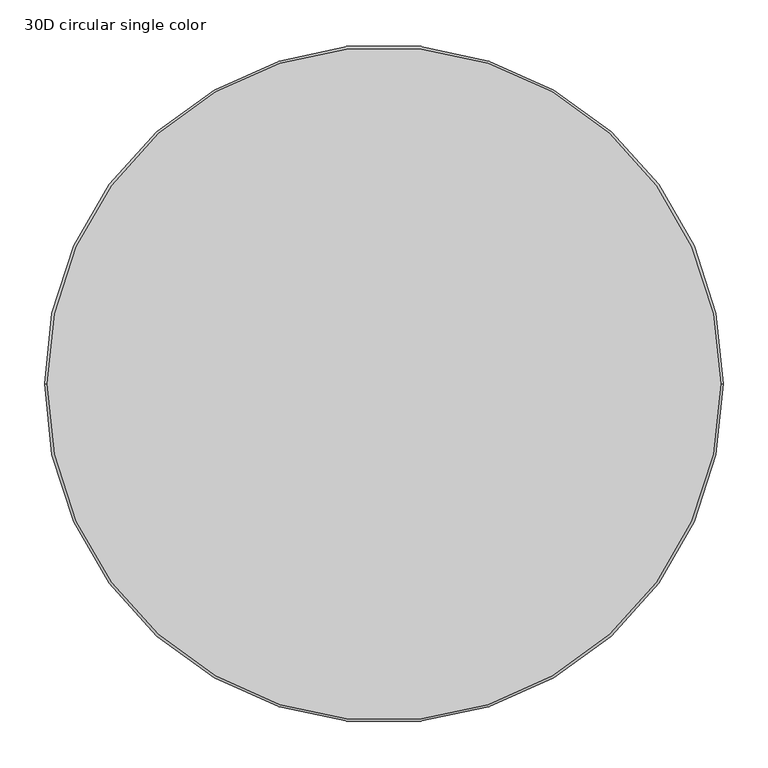
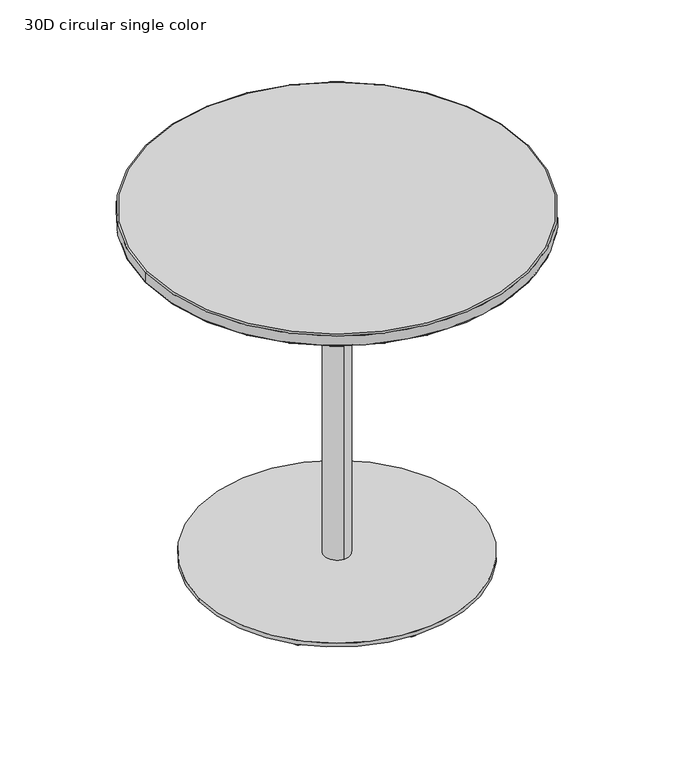
"""IFC4 building model written with IfcOpenShell, lengths in millimetres: furniture geometry, 30D circular single color."""

from ifc_helpers import new_model, si_unit, point, frame, origin, origin_2d, place, context, project, spatial, polyline, circle_curve, ellipse_curve, trimmed, segment, composite_curve, outline, extrude, source, transform, mapped, element, save
from ifc_brep_helpers import plane_surface, cylinder_surface, revolved_surface, advanced_brep


def furniture_30d_circular_single_color_6679ebdb(model_context):
    return source(origin(), model_context, "Body", "SolidModel", [
        advanced_brep(
        [(-367.6508148, 0.0, 715.0035998), (367.6508148, 0.0, 715.0035998), (367.6508148, 0.0, 715.1833853), (-367.6508148, 0.0, 715.1833853), (-381.0, 0.0, 717.5435998), (381.0, 0.0, 717.5435998), (378.46, 0.0, 715.0035998), (-378.46, 0.0, 715.0035998), (-381.0, 0.0, 737.4636), (381.0, 0.0, 737.4636), (-378.46, 0.0, 740.0036), (378.46, 0.0, 740.0036)],
        [
            (0, 1, circle_curve(frame((0.0, 0.0, 715.0035998), z_axis=(0.0, 0.0, -1.0), x_axis=(1.0, 0.0, 0.0)), 367.6508148)),
            (1, 2),
            (2, 3, circle_curve(frame((0.0, 0.0, 715.1833853), z_axis=(0.0, 0.0, 1.0), x_axis=(1.0, 0.0, 0.0)), 367.6508148)),
            (3, 0),
            (4, 5, circle_curve(frame((0.0, 0.0, 717.5435998), z_axis=(0.0, 0.0, -1.0), x_axis=(1.0, 0.0, 0.0)), 381.0)),
            (5, 6, circle_curve(frame((378.46, 0.0, 717.5435998), z_axis=(0.0, 1.0, 0.0), x_axis=(-1.0, 0.0, 0.0)), 2.54)),
            (6, 7, circle_curve(frame((0.0, 0.0, 715.0035998), z_axis=(0.0, 0.0, 1.0), x_axis=(1.0, 0.0, 0.0)), 378.46)),
            (7, 4, circle_curve(frame((-378.46, 0.0, 717.5435998), z_axis=(0.0, 1.0, 0.0), x_axis=(1.0, 0.0, 0.0)), 2.54)),
            (4, 8),
            (8, 9, circle_curve(frame((0.0, 0.0, 737.4636), z_axis=(0.0, 0.0, -1.0), x_axis=(1.0, 0.0, 0.0)), 381.0)),
            (9, 5),
            (8, 10, circle_curve(frame((-378.46, 0.0, 737.4636), z_axis=(0.0, 1.0, 0.0), x_axis=(1.0, 0.0, 0.0)), 2.54)),
            (10, 11, circle_curve(frame((0.0, 0.0, 740.0036), z_axis=(0.0, 0.0, -1.0), x_axis=(1.0, 0.0, 0.0)), 378.46)),
            (11, 9, circle_curve(frame((378.46, 0.0, 737.4636), z_axis=(0.0, 1.0, 0.0), x_axis=(-1.0, 0.0, 0.0)), 2.54)),
            (1, 0, circle_curve(frame((0.0, 0.0, 715.0035998), z_axis=(0.0, 0.0, -1.0), x_axis=(-1.0, 0.0, 0.0)), 367.6508148)),
            (3, 2, circle_curve(frame((0.0, 0.0, 715.1833853), z_axis=(0.0, 0.0, 1.0), x_axis=(-1.0, 0.0, 0.0)), 367.6508148)),
            (6, 7, circle_curve(frame((0.0, 0.0, 715.0035998), z_axis=(0.0, 0.0, -1.0), x_axis=(-1.0, 0.0, 0.0)), 378.46)),
            (5, 4, circle_curve(frame((0.0, 0.0, 717.5435998), z_axis=(0.0, 0.0, -1.0), x_axis=(-1.0, 0.0, 0.0)), 381.0)),
            (9, 8, circle_curve(frame((0.0, 0.0, 737.4636), z_axis=(0.0, 0.0, -1.0), x_axis=(-1.0, 0.0, 0.0)), 381.0)),
            (11, 10, circle_curve(frame((0.0, 0.0, 740.0036), z_axis=(0.0, 0.0, -1.0), x_axis=(-1.0, 0.0, 0.0)), 378.46)),
        ],
        [
            revolved_surface(polyline([(367.6508148, 0.0, 715.1833853), (367.6508148, 0.0, 715.0035998)]), (0.0, 0.0, 740.0036), (0.0, 0.0, 1.0)),
            revolved_surface(trimmed(ellipse_curve(frame((378.46, 0.0, 717.5435998), z_axis=(0.0, -1.0, 0.0), x_axis=(-1.0, 0.0, 0.0)), 2.54, 2.54), [point((378.46, 0.0, 715.0035998))], [point((381.0, 0.0, 717.5435998))], True, "CARTESIAN"), (0.0, 0.0, 740.0036), (0.0, 0.0, 1.0)),
            cylinder_surface(frame((0.0, 0.0, 740.0036), z_axis=(0.0, 0.0, 1.0), x_axis=(1.0, 0.0, 0.0)), 381.0),
            revolved_surface(trimmed(ellipse_curve(frame((378.46, 0.0, 737.4636), z_axis=(0.0, -1.0, 0.0), x_axis=(-1.0, 0.0, 0.0)), 2.54, 2.54), [point((381.0, 0.0, 737.4636))], [point((378.46, 0.0, 740.0036))], True, "CARTESIAN"), (0.0, 0.0, 740.0036), (0.0, 0.0, 1.0)),
            revolved_surface(polyline([(-367.6508148, 0.0, 715.1833853), (-367.6508148, 0.0, 715.0035998)]), (0.0, 0.0, 740.0036), (0.0, 0.0, 1.0)),
            plane_surface(frame((0.0, 0.0, 715.0035998), z_axis=(0.0, 0.0, -1.0), x_axis=(-1.0, 0.0, 0.0))),
            revolved_surface(trimmed(ellipse_curve(frame((-378.46, 0.0, 717.5435998), z_axis=(0.0, 1.0, 0.0), x_axis=(1.0, 0.0, 0.0)), 2.54, 2.54), [point((-378.46, 0.0, 715.0035998))], [point((-381.0, 0.0, 717.5435998))], True, "CARTESIAN"), (0.0, 0.0, 740.0036), (0.0, 0.0, 1.0)),
            cylinder_surface(frame((0.0, 0.0, 740.0036), z_axis=(0.0, 0.0, 1.0), x_axis=(-1.0, 0.0, 0.0)), 381.0),
            revolved_surface(trimmed(ellipse_curve(frame((-378.46, 0.0, 737.4636), z_axis=(0.0, 1.0, 0.0), x_axis=(1.0, 0.0, 0.0)), 2.54, 2.54), [point((-381.0, 0.0, 737.4636))], [point((-378.46, 0.0, 740.0036))], True, "CARTESIAN"), (0.0, 0.0, 740.0036), (0.0, 0.0, 1.0)),
            plane_surface(frame((0.0, 0.0, 740.0036), z_axis=(0.0, 0.0, 1.0), x_axis=(-1.0, 0.0, 0.0))),
            plane_surface(frame((-367.6508148, 0.0, 715.1833853), z_axis=(0.0, 0.0, -1.0), x_axis=(0.0, 1.0, 0.0))),
        ],
        [
            (0, [[1, 2, 3, 4]]),
            (1, [[5, 6, 7, 8]]),
            (2, [[-5, 9, 10, 11]]),
            (3, [[-10, 12, 13, 14]]),
            (4, [[15, -4, 16, -2]]),
            (5, [[-7, 17], [-1, -15]]),
            (6, [[-6, 18, -8, -17]]),
            (7, [[-11, 19, -9, -18]]),
            (8, [[-14, 20, -12, -19]]),
            (9, [[-13, -20]]),
            (10, [[-3, -16]]),
        ],
    ),
        advanced_brep(
        [(0.0, 25.3994968, 17.0000116), (0.0, -25.3994968, 17.0000116), (0.0, 25.3994968, 709.0036027), (0.0, -25.3994968, 709.0036027), (-124.9934, -116.6114, 715.0035998), (-116.6114, -124.9934, 715.0035998), (116.6114, -124.9934, 715.0035998), (124.9934, -116.6114, 715.0035998), (124.9934, 116.6114, 715.0035998), (116.6114, 124.9934, 715.0035998), (-116.6114, 124.9934, 715.0035998), (-124.9934, 116.6114, 715.0035998), (-124.9934, -116.6114, 709.0036027), (-124.9934, 116.6114, 709.0036027), (-116.6114, 124.9934, 709.0036027), (116.6114, 124.9934, 709.0036027), (124.9934, 116.6114, 709.0036027), (124.9934, -116.6114, 709.0036027), (116.6114, -124.9934, 709.0036027), (-116.6114, -124.9934, 709.0036027)],
        [
            (0, 1, circle_curve(frame((0.0, 0.0, 17.0000116), z_axis=(0.0, 0.0, -1.0), x_axis=(0.0, -1.0, 0.0)), 25.3994968)),
            (1, 0, circle_curve(frame((0.0, 0.0, 17.0000116), z_axis=(0.0, 0.0, -1.0), x_axis=(0.0, -1.0, 0.0)), 25.3994968)),
            (0, 2),
            (2, 3, circle_curve(frame((0.0, 0.0, 709.0036027), z_axis=(0.0, 0.0, -1.0), x_axis=(0.0, -1.0, 0.0)), 25.3994968)),
            (3, 1),
            (3, 2, circle_curve(frame((0.0, 0.0, 709.0036027), z_axis=(0.0, 0.0, -1.0), x_axis=(0.0, -1.0, 0.0)), 25.3994968)),
            (4, 5, circle_curve(frame((-116.6114, -116.6114, 715.0035998), z_axis=(0.0, 0.0, 1.0), x_axis=(0.0, -1.0, 0.0)), 8.382)),
            (5, 6),
            (6, 7, circle_curve(frame((116.6114, -116.6114, 715.0035998), z_axis=(0.0, 0.0, 1.0), x_axis=(0.0, -1.0, 0.0)), 8.382)),
            (7, 8),
            (8, 9, circle_curve(frame((116.6114, 116.6114, 715.0035998), z_axis=(0.0, 0.0, 1.0), x_axis=(0.0, -1.0, 0.0)), 8.382)),
            (9, 10),
            (10, 11, circle_curve(frame((-116.6114, 116.6114, 715.0035998), z_axis=(0.0, 0.0, 1.0), x_axis=(0.0, -1.0, 0.0)), 8.382)),
            (11, 4),
            (12, 13),
            (13, 14, circle_curve(frame((-116.6114, 116.6114, 709.0036027), z_axis=(0.0, 0.0, -1.0), x_axis=(0.0, -1.0, 0.0)), 8.382)),
            (14, 15),
            (15, 16, circle_curve(frame((116.6114, 116.6114, 709.0036027), z_axis=(0.0, 0.0, -1.0), x_axis=(0.0, -1.0, 0.0)), 8.382)),
            (16, 17),
            (17, 18, circle_curve(frame((116.6114, -116.6114, 709.0036027), z_axis=(0.0, 0.0, -1.0), x_axis=(0.0, -1.0, 0.0)), 8.382)),
            (18, 19),
            (19, 12, circle_curve(frame((-116.6114, -116.6114, 709.0036027), z_axis=(0.0, 0.0, -1.0), x_axis=(0.0, -1.0, 0.0)), 8.382)),
            (11, 13),
            (12, 4),
            (10, 14),
            (9, 15),
            (8, 16),
            (7, 17),
            (6, 18),
            (5, 19),
        ],
        [
            plane_surface(frame((0.0, -25.3994968, 17.0000116), z_axis=(0.0, 0.0, -1.0), x_axis=(-1.0, 0.0, 0.0))),
            cylinder_surface(frame((0.0, 0.0, 709.0036027), z_axis=(0.0, 0.0, -1.0), x_axis=(0.0, -1.0, 0.0)), 25.3994968),
            plane_surface(frame((-124.9934, 116.6114, 715.0035998), z_axis=(0.0, 0.0, 1.0), x_axis=(0.0, -1.0, 0.0))),
            plane_surface(frame((-124.9934, 116.6114, 709.0036027), z_axis=(0.0, 0.0, -1.0), x_axis=(0.0, 1.0, 0.0))),
            plane_surface(frame((-124.9934, -116.6114, 709.0036027), z_axis=(-1.0, 0.0, 0.0), x_axis=(0.0, 0.0, 1.0))),
            cylinder_surface(frame((-116.6114, 116.6114, 715.0035998), z_axis=(0.0, 0.0, -1.0), x_axis=(0.0, -1.0, 0.0)), 8.382),
            plane_surface(frame((-116.6114, 124.9934, 709.0036027), z_axis=(0.0, 1.0, 0.0), x_axis=(0.0, 0.0, 1.0))),
            cylinder_surface(frame((116.6114, 116.6114, 715.0035998), z_axis=(0.0, 0.0, -1.0), x_axis=(0.0, -1.0, 0.0)), 8.382),
            plane_surface(frame((124.9934, 116.6114, 709.0036027), z_axis=(1.0, 0.0, 0.0), x_axis=(0.0, 0.0, 1.0))),
            cylinder_surface(frame((116.6114, -116.6114, 715.0035998), z_axis=(0.0, 0.0, -1.0), x_axis=(0.0, -1.0, 0.0)), 8.382),
            plane_surface(frame((116.6114, -124.9934, 709.0036027), z_axis=(0.0, -1.0, 0.0), x_axis=(0.0, 0.0, 1.0))),
            cylinder_surface(frame((-116.6114, -116.6114, 715.0035998), z_axis=(0.0, 0.0, -1.0), x_axis=(0.0, -1.0, 0.0)), 8.382),
        ],
        [
            (0, [[1, 2]]),
            (1, [[-1, 3, 4, 5]]),
            (1, [[-2, -5, 6, -3]]),
            (2, [[7, 8, 9, 10, 11, 12, 13, 14]]),
            (3, [[15, 16, 17, 18, 19, 20, 21, 22], [-4, -6]]),
            (4, [[-14, 23, -15, 24]]),
            (5, [[-13, 25, -16, -23]]),
            (6, [[-12, 26, -17, -25]]),
            (7, [[-11, 27, -18, -26]]),
            (8, [[-10, 28, -19, -27]]),
            (9, [[-9, 29, -20, -28]]),
            (10, [[-8, 30, -21, -29]]),
            (11, [[-7, -24, -22, -30]]),
        ],
    ),
        advanced_brep(
        [(-190.5532387, 181.7263389, 9.0000059), (-172.8994391, 181.7263389, 9.0000059), (-189.5543959, 181.7263389, 0.0), (-173.8982819, 181.7263389, 0.0)],
        [
            (0, 1, circle_curve(frame((-181.7263389, 181.7263389, 9.0000059), z_axis=(0.0, 0.0, 1.0), x_axis=(-1.0, 0.0, 0.0)), 8.8268998)),
            (1, 0, circle_curve(frame((-181.7263389, 181.7263389, 9.0000059), z_axis=(0.0, 0.0, 1.0), x_axis=(1.0, 0.0, 0.0)), 8.8268998)),
            (2, 3, circle_curve(frame((-181.7263389, 181.7263389, 0.0), z_axis=(0.0, 0.0, -1.0), x_axis=(1.0, 0.0, 0.0)), 7.828057)),
            (3, 2, circle_curve(frame((-181.7263389, 181.7263389, 0.0), z_axis=(0.0, 0.0, -1.0), x_axis=(-1.0, 0.0, 0.0)), 7.828057)),
            (0, 2),
            (3, 1),
        ],
        [
            plane_surface(frame((-181.7263389, 181.7263389, 9.0000059), z_axis=(0.0, 0.0, 1.0), x_axis=(0.0, -1.0, 0.0))),
            plane_surface(frame((-181.7263389, 181.7263389, 0.0), z_axis=(0.0, 0.0, -1.0), x_axis=(0.0, -1.0, 0.0))),
            revolved_surface(polyline([(-173.8982819130633, 181.7263389, 0.0), (-172.8994391, 181.7263389, 9.000005900000005)]), (-181.7263389, 181.7263389, -70.5341803), (0.0, 0.0, 1.0)),
            revolved_surface(polyline([(-189.5543958869367, 181.7263389, 0.0), (-190.5532387, 181.7263389, 9.000005900000005)]), (-181.7263389, 181.7263389, -70.5341803), (0.0, 0.0, 1.0)),
        ],
        [
            (0, [[1, 2]]),
            (1, [[3, 4]]),
            (2, [[-1, 5, -4, 6]]),
            (3, [[-2, -6, -3, -5]]),
        ],
    ),
        advanced_brep(
        [(-265.0869868, 0.0, 0.0), (-249.3437617, 0.0, 0.0), (-266.3915758, 0.0, 9.0000082), (-248.0391728, 0.0, 9.0000082)],
        [
            (0, 1, circle_curve(frame((-257.2153743, 0.0, 0.0), z_axis=(0.0, 0.0, -1.0), x_axis=(-1.0, 0.0, 0.0)), 7.8716125)),
            (1, 0, circle_curve(frame((-257.2153743, 0.0, 0.0), z_axis=(0.0, 0.0, -1.0), x_axis=(1.0, 0.0, 0.0)), 7.8716125)),
            (2, 3, circle_curve(frame((-257.2153743, 0.0, 9.0000082), z_axis=(0.0, 0.0, 1.0), x_axis=(1.0, 0.0, 0.0)), 9.1762015)),
            (3, 2, circle_curve(frame((-257.2153743, 0.0, 9.0000082), z_axis=(0.0, 0.0, 1.0), x_axis=(-1.0, 0.0, 0.0)), 9.1762015)),
            (1, 3),
            (2, 0),
        ],
        [
            plane_surface(frame((-257.2153743, 0.0, 0.0), z_axis=(0.0, 0.0, -1.0), x_axis=(0.0, -1.0, 0.0))),
            plane_surface(frame((-257.2153743, 0.0, 9.0000082), z_axis=(0.0, 0.0, 1.0), x_axis=(0.0, -1.0, 0.0))),
            revolved_surface(polyline([(-249.34376177324347, 0.0, 0.0), (-248.0391728, 0.0, 9.000008199999996)]), (-257.2153743, 0.0, -54.3041362), (0.0, 0.0, 1.0)),
            revolved_surface(polyline([(-265.0869868267565, 0.0, 0.0), (-266.3915758, 0.0, 9.000008199999996)]), (-257.2153743, 0.0, -54.3041362), (0.0, 0.0, 1.0)),
        ],
        [
            (0, [[1, 2]]),
            (1, [[3, 4]]),
            (2, [[-2, 5, -3, 6]]),
            (3, [[-1, -6, -4, -5]]),
        ],
    ),
        advanced_brep(
        [(-190.5532387, -181.7263389, 9.0000059), (-172.8994391, -181.7263389, 9.0000059), (-189.5543959, -181.7263389, 0.0), (-173.8982819, -181.7263389, 0.0)],
        [
            (0, 1, circle_curve(frame((-181.7263389, -181.7263389, 9.0000059), z_axis=(0.0, 0.0, 1.0), x_axis=(-1.0, 0.0, 0.0)), 8.8268998)),
            (1, 0, circle_curve(frame((-181.7263389, -181.7263389, 9.0000059), z_axis=(0.0, 0.0, 1.0), x_axis=(1.0, 0.0, 0.0)), 8.8268998)),
            (2, 3, circle_curve(frame((-181.7263389, -181.7263389, 0.0), z_axis=(0.0, 0.0, -1.0), x_axis=(1.0, 0.0, 0.0)), 7.828057)),
            (3, 2, circle_curve(frame((-181.7263389, -181.7263389, 0.0), z_axis=(0.0, 0.0, -1.0), x_axis=(-1.0, 0.0, 0.0)), 7.828057)),
            (1, 3),
            (2, 0),
        ],
        [
            plane_surface(frame((-181.7263389, -181.7263389, 9.0000059), z_axis=(0.0, 0.0, 1.0), x_axis=(0.0, -1.0, 0.0))),
            plane_surface(frame((-181.7263389, -181.7263389, 0.0), z_axis=(0.0, 0.0, -1.0), x_axis=(0.0, -1.0, 0.0))),
            revolved_surface(polyline([(-189.5543958869367, -181.7263389, 0.0), (-190.5532387, -181.7263389, 9.000005900000005)]), (-181.7263389, -181.7263389, -70.5341803), (0.0, 0.0, 1.0)),
            revolved_surface(polyline([(-173.8982819130633, -181.7263389, 0.0), (-172.8994391, -181.7263389, 9.000005900000005)]), (-181.7263389, -181.7263389, -70.5341803), (0.0, 0.0, 1.0)),
        ],
        [
            (0, [[1, 2]]),
            (1, [[3, 4]]),
            (2, [[-2, 5, -3, 6]]),
            (3, [[-1, -6, -4, -5]]),
        ],
    ),
        advanced_brep(
        [(0.0, 265.0869868, 0.0), (0.0, 249.3437617, 0.0), (0.0, 266.3915758, 9.0000082), (0.0, 248.0391728, 9.0000082)],
        [
            (0, 1, circle_curve(frame((0.0, 257.2153743, 0.0), z_axis=(0.0, 0.0, -1.0), x_axis=(3.12138059135606e-12, 1.0, 0.0)), 7.8716125)),
            (1, 0, circle_curve(frame((0.0, 257.2153743, 0.0), z_axis=(0.0, 0.0, -1.0), x_axis=(-3.1246116805050733e-12, -1.0, 0.0)), 7.8716125)),
            (2, 3, circle_curve(frame((0.0, 257.2153743, 9.0000082), z_axis=(0.0, 0.0, 1.0), x_axis=(-3.1246116805050733e-12, -1.0, 0.0)), 9.1762015)),
            (3, 2, circle_curve(frame((0.0, 257.2153743, 9.0000082), z_axis=(0.0, 0.0, 1.0), x_axis=(3.12138059135606e-12, 1.0, 0.0)), 9.1762015)),
            (1, 3),
            (2, 0),
        ],
        [
            plane_surface(frame((0.0, 257.2153743, 0.0), z_axis=(0.0, 0.0, -1.0), x_axis=(-1.0, 3.1278427696539056e-12, 0.0))),
            plane_surface(frame((0.0, 257.2153743, 9.0000082), z_axis=(0.0, 0.0, 1.0), x_axis=(-1.0, 3.1278427696539056e-12, 0.0))),
            revolved_surface(polyline([(0.0, 249.34376177324347, 0.0), (0.0, 248.0391728, 9.000008199999996)]), (0.0, 257.2153743, -54.3041362), (0.0, 0.0, 1.0)),
            revolved_surface(polyline([(0.0, 265.0869868267565, 0.0), (0.0, 266.3915758, 9.000008199999996)]), (0.0, 257.2153743, -54.3041362), (0.0, 0.0, 1.0)),
        ],
        [
            (0, [[1, 2]]),
            (1, [[3, 4]]),
            (2, [[-2, 5, -3, 6]]),
            (3, [[-1, -6, -4, -5]]),
        ],
    ),
        advanced_brep(
        [(0.0, -265.0869868, 0.0), (0.0, -249.3437617, 0.0), (0.0, -266.3915758, 9.0000082), (0.0, -248.0391728, 9.0000082)],
        [
            (0, 1, circle_curve(frame((0.0, -257.2153743, 0.0), z_axis=(0.0, 0.0, -1.0), x_axis=(-3.1215030560360546e-12, -1.0, 0.0)), 7.8716125)),
            (1, 0, circle_curve(frame((0.0, -257.2153743, 0.0), z_axis=(0.0, 0.0, -1.0), x_axis=(3.1247341451849737e-12, 1.0, 0.0)), 7.8716125)),
            (2, 3, circle_curve(frame((0.0, -257.2153743, 9.0000082), z_axis=(0.0, 0.0, 1.0), x_axis=(3.1247341451849737e-12, 1.0, 0.0)), 9.1762015)),
            (3, 2, circle_curve(frame((0.0, -257.2153743, 9.0000082), z_axis=(0.0, 0.0, 1.0), x_axis=(-3.1215030560360546e-12, -1.0, 0.0)), 9.1762015)),
            (0, 2),
            (3, 1),
        ],
        [
            plane_surface(frame((0.0, -257.2153743, 0.0), z_axis=(0.0, 0.0, -1.0), x_axis=(1.0, -3.12796523433382e-12, 0.0))),
            plane_surface(frame((0.0, -257.2153743, 9.0000082), z_axis=(0.0, 0.0, 1.0), x_axis=(1.0, -3.12796523433382e-12, 0.0))),
            revolved_surface(polyline([(0.0, -265.0869868267565, 0.0), (0.0, -266.3915758, 9.000008199999996)]), (0.0, -257.2153743, -54.3041362), (0.0, 0.0, 1.0)),
            revolved_surface(polyline([(0.0, -249.34376177324347, 0.0), (0.0, -248.0391728, 9.000008199999996)]), (0.0, -257.2153743, -54.3041362), (0.0, 0.0, 1.0)),
        ],
        [
            (0, [[1, 2]]),
            (1, [[3, 4]]),
            (2, [[-1, 5, -4, 6]]),
            (3, [[-2, -6, -3, -5]]),
        ],
    ),
        advanced_brep(
        [(190.5532387, 181.7263389, 9.0000059), (172.8994391, 181.7263389, 9.0000059), (189.5543959, 181.7263389, 0.0), (173.8982819, 181.7263389, 0.0)],
        [
            (0, 1, circle_curve(frame((181.7263389, 181.7263389, 9.0000059), z_axis=(0.0, 0.0, 1.0), x_axis=(1.0, 0.0, 0.0)), 8.8268998)),
            (1, 0, circle_curve(frame((181.7263389, 181.7263389, 9.0000059), z_axis=(0.0, 0.0, 1.0), x_axis=(-1.0, 0.0, 0.0)), 8.8268998)),
            (2, 3, circle_curve(frame((181.7263389, 181.7263389, 0.0), z_axis=(0.0, 0.0, -1.0), x_axis=(-1.0, 0.0, 0.0)), 7.828057)),
            (3, 2, circle_curve(frame((181.7263389, 181.7263389, 0.0), z_axis=(0.0, 0.0, -1.0), x_axis=(1.0, 0.0, 0.0)), 7.828057)),
            (1, 3),
            (2, 0),
        ],
        [
            plane_surface(frame((181.7263389, 181.7263389, 9.0000059), z_axis=(0.0, 0.0, 1.0), x_axis=(0.0, 1.0, 0.0))),
            plane_surface(frame((181.7263389, 181.7263389, 0.0), z_axis=(0.0, 0.0, -1.0), x_axis=(0.0, 1.0, 0.0))),
            revolved_surface(polyline([(189.5543958869367, 181.7263389, 0.0), (190.5532387, 181.7263389, 9.000005900000005)]), (181.7263389, 181.7263389, -70.5341803), (0.0, 0.0, 1.0)),
            revolved_surface(polyline([(173.8982819130633, 181.7263389, 0.0), (172.8994391, 181.7263389, 9.000005900000005)]), (181.7263389, 181.7263389, -70.5341803), (0.0, 0.0, 1.0)),
        ],
        [
            (0, [[1, 2]]),
            (1, [[3, 4]]),
            (2, [[-2, 5, -3, 6]]),
            (3, [[-1, -6, -4, -5]]),
        ],
    ),
        advanced_brep(
        [(190.5532387, -181.7263389, 9.0000059), (172.8994391, -181.7263389, 9.0000059), (189.5543959, -181.7263389, 0.0), (173.8982819, -181.7263389, 0.0)],
        [
            (0, 1, circle_curve(frame((181.7263389, -181.7263389, 9.0000059), z_axis=(0.0, 0.0, 1.0), x_axis=(1.0, 0.0, 0.0)), 8.8268998)),
            (1, 0, circle_curve(frame((181.7263389, -181.7263389, 9.0000059), z_axis=(0.0, 0.0, 1.0), x_axis=(-1.0, 0.0, 0.0)), 8.8268998)),
            (2, 3, circle_curve(frame((181.7263389, -181.7263389, 0.0), z_axis=(0.0, 0.0, -1.0), x_axis=(-1.0, 0.0, 0.0)), 7.828057)),
            (3, 2, circle_curve(frame((181.7263389, -181.7263389, 0.0), z_axis=(0.0, 0.0, -1.0), x_axis=(1.0, 0.0, 0.0)), 7.828057)),
            (0, 2),
            (3, 1),
        ],
        [
            plane_surface(frame((181.7263389, -181.7263389, 9.0000059), z_axis=(0.0, 0.0, 1.0), x_axis=(0.0, 1.0, 0.0))),
            plane_surface(frame((181.7263389, -181.7263389, 0.0), z_axis=(0.0, 0.0, -1.0), x_axis=(0.0, 1.0, 0.0))),
            revolved_surface(polyline([(173.8982819130633, -181.7263389, 0.0), (172.8994391, -181.7263389, 9.000005900000005)]), (181.7263389, -181.7263389, -70.5341803), (0.0, 0.0, 1.0)),
            revolved_surface(polyline([(189.5543958869367, -181.7263389, 0.0), (190.5532387, -181.7263389, 9.000005900000005)]), (181.7263389, -181.7263389, -70.5341803), (0.0, 0.0, 1.0)),
        ],
        [
            (0, [[1, 2]]),
            (1, [[3, 4]]),
            (2, [[-1, 5, -4, 6]]),
            (3, [[-2, -6, -3, -5]]),
        ],
    ),
        advanced_brep(
        [(265.0869868, 0.0, 0.0), (249.3437617, 0.0, 0.0), (266.3915758, 0.0, 9.0000082), (248.0391728, 0.0, 9.0000082)],
        [
            (0, 1, circle_curve(frame((257.2153743, 0.0, 0.0), z_axis=(0.0, 0.0, -1.0), x_axis=(1.0, 0.0, 0.0)), 7.8716125)),
            (1, 0, circle_curve(frame((257.2153743, 0.0, 0.0), z_axis=(0.0, 0.0, -1.0), x_axis=(-1.0, 0.0, 0.0)), 7.8716125)),
            (2, 3, circle_curve(frame((257.2153743, 0.0, 9.0000082), z_axis=(0.0, 0.0, 1.0), x_axis=(-1.0, 0.0, 0.0)), 9.1762015)),
            (3, 2, circle_curve(frame((257.2153743, 0.0, 9.0000082), z_axis=(0.0, 0.0, 1.0), x_axis=(1.0, 0.0, 0.0)), 9.1762015)),
            (0, 2),
            (3, 1),
        ],
        [
            plane_surface(frame((257.2153743, 0.0, 0.0), z_axis=(0.0, 0.0, -1.0), x_axis=(0.0, 1.0, 0.0))),
            plane_surface(frame((257.2153743, 0.0, 9.0000082), z_axis=(0.0, 0.0, 1.0), x_axis=(0.0, 1.0, 0.0))),
            revolved_surface(polyline([(265.0869868267565, 0.0, 0.0), (266.3915758, 0.0, 9.000008199999996)]), (257.2153743, 0.0, -54.3041362), (0.0, 0.0, 1.0)),
            revolved_surface(polyline([(249.34376177324347, 0.0, 0.0), (248.0391728, 0.0, 9.000008199999996)]), (257.2153743, 0.0, -54.3041362), (0.0, 0.0, 1.0)),
        ],
        [
            (0, [[1, 2]]),
            (1, [[3, 4]]),
            (2, [[-1, 5, -4, 6]]),
            (3, [[-2, -6, -3, -5]]),
        ],
    ),
        extrude(outline(composite_curve([segment(trimmed(circle_curve(origin_2d(), 275.0312), [point((275.0312, 0.0))], [point((-275.0312, 0.0))], False, "CARTESIAN"), True, "CONTINUOUS"), segment(trimmed(circle_curve(origin_2d(), 275.0312), [point((-275.0312, 0.0))], [point((275.0312, 0.0))], False, "CARTESIAN"), True, "CONTINUOUS")], self_intersect=False)), frame((0.0, 0.0, 9.0000076), z_axis=(0.0, 0.0, 1.0), x_axis=(1.0, 0.0, 0.0)), (0.0, 0.0, 1.0), 8.0000039),
    ])


if __name__ == "__main__":
    model = new_model("IFC4")
    model_context = context("Model", 3, world=origin())
    ifc_project = project(units=[si_unit("LENGTHUNIT", "METRE", prefix="MILLI")], contexts=[model_context])
    site = spatial("IfcSite", under=ifc_project)
    building = spatial("IfcBuilding", under=site)
    placement = place(None, origin())
    furniture_30d_circular_single_color_shape = furniture_30d_circular_single_color_6679ebdb(model_context)
    element("IfcFurniture", 1, ObjectType="30D circular single color", at=placement, inside=building, context=model_context, shape_type="MappedRepresentation", body=[
        mapped(furniture_30d_circular_single_color_shape, transform((0.0, 0.0, 0.0), x_axis=(1.0, 0.0, 0.0), y_axis=(0.0, 1.0, 0.0), z_axis=(0.0, 0.0, 1.0))),
    ])
    save(model, "model.ifc")
